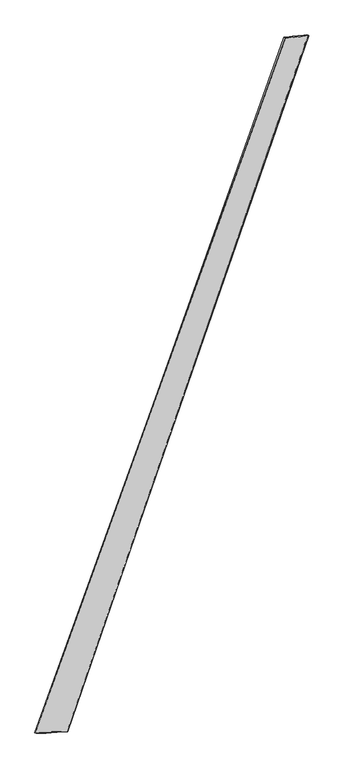
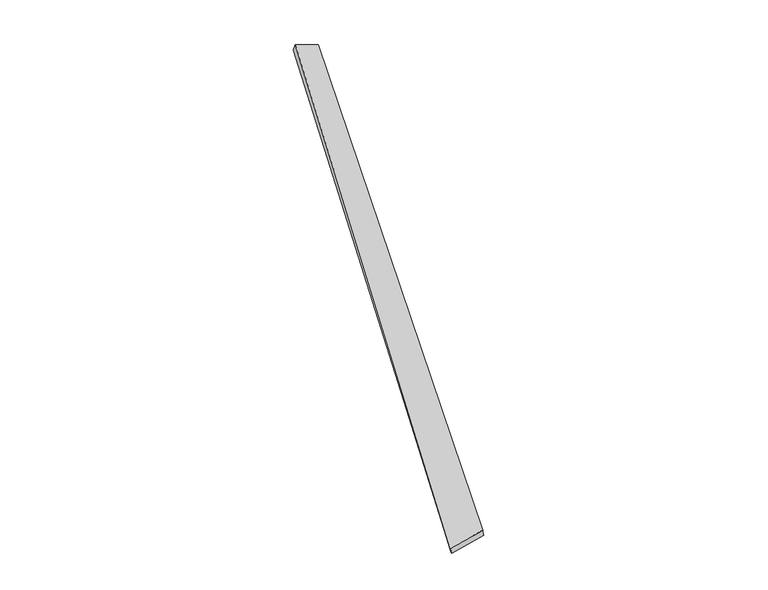
"""IFC4 building model written with IfcOpenShell, lengths in millimetres: proxy geometry."""

from ifc_helpers import new_model, si_unit, origin, place, context, project, spatial, source, transform, mapped, element, save
from ifc_brep_helpers import spline_surface, advanced_brep


def generic_models_df4be1e2(model_context):
    return source(origin(), model_context, "Body", "AdvancedBrep", [
        advanced_brep(
        [(-739.8971625, -1874.4061451, -19.2707471), (-747.3088736, -1872.092521, 9.7070666), (738.4127738, 2239.7317834, 55.584564), (728.5211706, 2243.5778615, 27.5245592), (-556.7786889, -1865.2977617, 48.754913), (876.6928803, 2253.8311422, -0.9296535), (-551.9820587, -1867.2776506, 19.2071148), (863.3580506, 2258.1059342, -27.460927)],
        [
            (0, 1),
            (1, 2),
            (2, 3),
            (3, 0),
            (1, 4),
            (4, 5),
            (5, 2),
            (4, 6),
            (6, 7),
            (7, 5),
            (6, 0),
            (3, 7),
        ],
        [
            spline_surface(1, 1, [[(-739.8971625, -1874.4061451, -19.2707471), (728.5211706, 2243.5778615, 27.5245592)], [(-747.3088736, -1872.092521, 9.7070666), (738.4127738, 2239.7317834, 55.584564)]], [2, 2], [2, 2], [0.0, 1.0], [0.0, 1.0]),
            spline_surface(1, 1, [[(-747.3088736, -1872.092521, 9.7070666), (738.4127738, 2239.7317834, 55.584564)], [(-556.7786889, -1865.2977617, 48.754913), (876.6928803, 2253.8311422, -0.9296535)]], [2, 2], [2, 2], [0.0, 1.0], [0.0, 1.0]),
            spline_surface(1, 1, [[(-556.7786889, -1865.2977617, 48.754913), (876.6928803, 2253.8311422, -0.9296535)], [(-551.9820587, -1867.2776506, 19.2071148), (863.3580506, 2258.1059342, -27.460927)]], [2, 2], [2, 2], [0.0, 1.0], [0.0, 1.0]),
            spline_surface(1, 1, [[(-551.9820587, -1867.2776506, 19.2071148), (863.3580506, 2258.1059342, -27.460927)], [(-739.8971625, -1874.4061451, -19.2707471), (728.5211706, 2243.5778615, 27.5245592)]], [2, 2], [2, 2], [0.0, 1.0], [0.0, 1.0]),
            spline_surface(1, 1, [[(738.4127738, 2239.7317834, 55.584564), (728.5211706, 2243.5778615, 27.5245592)], [(876.6928803, 2253.8311422, -0.9296535), (863.3580506, 2258.1059342, -27.460927)]], [2, 2], [2, 2], [0.0, 1.0], [0.0, 1.0]),
            spline_surface(1, 1, [[(-551.9820587, -1867.2776506, 19.2071148), (-739.8971625, -1874.4061451, -19.2707471)], [(-556.7786889, -1865.2977617, 48.754913), (-747.3088736, -1872.092521, 9.7070666)]], [2, 2], [2, 2], [0.0, 1.0], [0.0, 1.0]),
        ],
        [
            (0, [[1, 2, 3, 4]]),
            (1, [[5, 6, 7, -2]]),
            (2, [[8, 9, 10, -6]]),
            (3, [[11, -4, 12, -9]]),
            (4, [[-3, -7, -10, -12]]),
            (5, [[-11, -8, -5, -1]]),
        ],
    ),
    ])


if __name__ == "__main__":
    model = new_model("IFC4")
    model_context = context("Model", 3, world=origin())
    ifc_project = project(units=[si_unit("LENGTHUNIT", "METRE", prefix="MILLI")], contexts=[model_context])
    site = spatial("IfcSite", under=ifc_project)
    building = spatial("IfcBuilding", under=site)
    placement = place(None, origin())
    generic_models_shape = generic_models_df4be1e2(model_context)
    element("IfcBuildingElementProxy", 1, Name="Generic Models", at=placement, inside=building, context=model_context, shape_type="MappedRepresentation", body=[
        mapped(generic_models_shape, transform((0.0, 0.0, 0.0), x_axis=(1.0, 0.0, 0.0), y_axis=(0.0, 1.0, 0.0), z_axis=(0.0, 0.0, 1.0))),
    ])
    save(model, "model.ifc")
